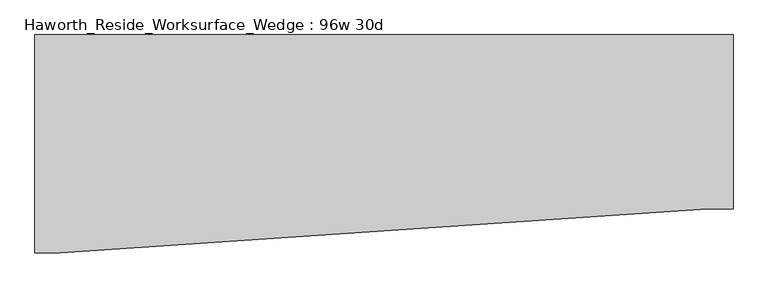
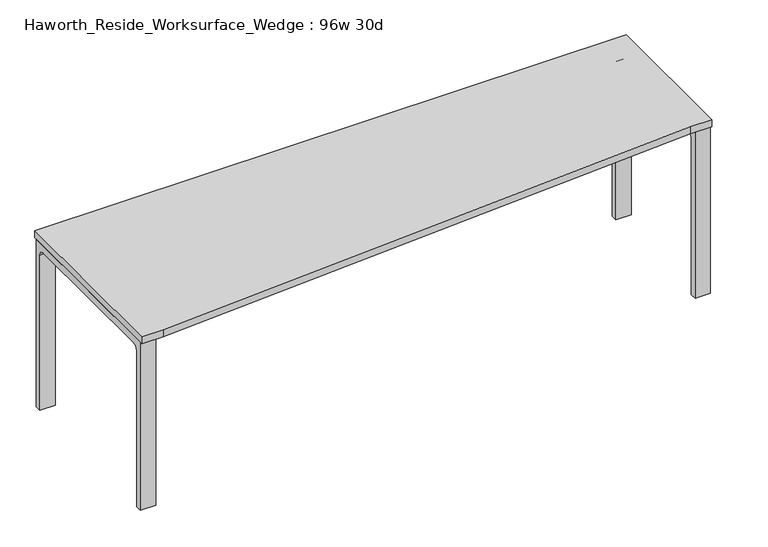
"""IFC4 building model written with IfcOpenShell, lengths in millimetres: furniture geometry, Haworth_Reside_Worksurface_Wedge : 96w 30d."""

import ifcopenshell
import ifcopenshell.guid

model = None  # the IFC model being written
_history = None  # IfcOwnerHistory: only IFC2X3 demands one
_inside = {}  # id of a spatial element -> (the spatial element, [elements in it])
_under = {}  # id of a project, library or spatial element -> (it, [spatial elements below it])
_declared = {}  # id of a project -> (the project, [libraries it declares])
_typed = {}  # id of a type object -> (the type object, [elements of that type])
_made_of = {}  # id of a material, layer set ... -> (it, [elements and type objects made of it])


def new_model(schema):
    """Start an empty IFC model of exactly this schema.

    Asked for "IFC4X3", IfcOpenShell would pick the latest addendum, in which some entities
    have other attributes; the version numbers below select the first issue.
    IFC2X3 requires an IfcOwnerHistory on every rooted entity: one is made here for all.
    """
    global model, _history
    if schema == "IFC4X3":
        model = ifcopenshell.file(schema_version=(4, 3, 0, 0))
    else:
        model = ifcopenshell.file(schema=schema)
    _inside.clear()
    _under.clear()
    _declared.clear()
    _typed.clear()
    _made_of.clear()
    _history = None
    if model.schema == "IFC2X3":
        org = make("IfcOrganization", Name="unknown")
        user = make(
            "IfcPersonAndOrganization",
            ThePerson=make("IfcPerson", FamilyName="unknown"),
            TheOrganization=org,
        )
        app = make(
            "IfcApplication",
            ApplicationDeveloper=org,
            Version="unknown",
            ApplicationFullName="unknown",
            ApplicationIdentifier="unknown",
        )
        _history = make(
            "IfcOwnerHistory",
            OwningUser=user,
            OwningApplication=app,
            ChangeAction="ADDED",
            CreationDate=0,
        )
    return model


def make(cls, **values):
    """One entity of the class cls with the attributes given. An attribute that is None is left unset."""
    return model.create_entity(
        cls, **{name: value for name, value in values.items() if value is not None}
    )


def rooted(cls, **values):
    """An entity with a GlobalId (a new one), such as an element, a storey or a relation."""
    return make(cls, GlobalId=ifcopenshell.guid.new(), OwnerHistory=_history, **values)


def si_unit(unit_type, name, prefix=None):
    """IfcSIUnit, for example si_unit("LENGTHUNIT", "METRE", prefix="MILLI")."""
    return make("IfcSIUnit", UnitType=unit_type, Prefix=prefix, Name=name)


def assignment(units):
    """IfcUnitAssignment: the units of a project."""
    return None if units is None else make("IfcUnitAssignment", Units=units)


def point(xyz):
    """IfcCartesianPoint."""
    return None if xyz is None else make("IfcCartesianPoint", Coordinates=xyz)


def direction(xyz):
    """IfcDirection."""
    return None if xyz is None else make("IfcDirection", DirectionRatios=xyz)


def frame(location, z_axis=None, x_axis=None):
    """IfcAxis2Placement3D, a coordinate frame: its origin and axes. An axis left out is left unset."""
    return make(
        "IfcAxis2Placement3D",
        Location=point(location),
        Axis=direction(z_axis),
        RefDirection=direction(x_axis),
    )


def frame_2d(location, x_axis=None):
    """IfcAxis2Placement2D, a coordinate frame in the plane: its origin and x axis."""
    return make(
        "IfcAxis2Placement2D", Location=point(location), RefDirection=direction(x_axis)
    )


def origin():
    """The frame at (0, 0, 0) with its axes left unset."""
    return frame((0.0, 0.0, 0.0))


def place(relative_to, where):
    """IfcLocalPlacement: puts the frame where relative to a parent placement (None: the world)."""
    return make(
        "IfcLocalPlacement", PlacementRelTo=relative_to, RelativePlacement=where
    )


def context(
    kind, dimensions, precision=None, world=None, true_north=None, identifier=None
):
    """IfcGeometricRepresentationContext, for example the 3D "Model" context."""
    return make(
        "IfcGeometricRepresentationContext",
        ContextIdentifier=identifier,
        ContextType=kind,
        CoordinateSpaceDimension=dimensions,
        Precision=precision,
        WorldCoordinateSystem=world,
        TrueNorth=true_north,
    )


def project(units=None, contexts=None):
    """IfcProject with its units and contexts."""
    return rooted(
        "IfcProject",
        Name="project",
        RepresentationContexts=contexts,
        UnitsInContext=assignment(units),
    )


def spatial(cls, under=None, at=None, **own):
    """A site, building, storey or space (cls), placed at a placement, below another one or the project."""
    s = rooted(cls, ObjectPlacement=at, **own)
    if under is not None:
        _under.setdefault(under.id(), (under, []))[1].append(s)
    return s


def polyline(points):
    """IfcPolyline through the points."""
    return make("IfcPolyline", Points=[point(p) for p in points])


def circle_curve(where, radius):
    """IfcCircle in the frame where."""
    return make("IfcCircle", Position=where, Radius=radius)


def trimmed(basis, trim1, trim2, sense, master):
    """IfcTrimmedCurve: the piece of a basis curve between two trims."""
    return make(
        "IfcTrimmedCurve",
        BasisCurve=basis,
        Trim1=trim1,
        Trim2=trim2,
        SenseAgreement=sense,
        MasterRepresentation=master,
    )


def segment(curve, same_sense, transition):
    """IfcCompositeCurveSegment."""
    return make(
        "IfcCompositeCurveSegment",
        Transition=transition,
        SameSense=same_sense,
        ParentCurve=curve,
    )


def composite_curve(segments, self_intersect=None):
    """IfcCompositeCurve: segments joined end to end."""
    return make("IfcCompositeCurve", Segments=segments, SelfIntersect=self_intersect)


def outline(outer, holes=None, kind="AREA"):
    """IfcArbitraryClosedProfileDef: a profile drawn as a closed curve; with holes, ...WithVoids."""
    if holes is None:
        return make("IfcArbitraryClosedProfileDef", ProfileType=kind, OuterCurve=outer)
    return make(
        "IfcArbitraryProfileDefWithVoids",
        ProfileType=kind,
        OuterCurve=outer,
        InnerCurves=holes,
    )


def extrude(swept, where, along, depth):
    """IfcExtrudedAreaSolid: the profile swept, set in the frame where, extruded along a direction by depth."""
    return make(
        "IfcExtrudedAreaSolid",
        SweptArea=swept,
        Position=where,
        ExtrudedDirection=direction(along),
        Depth=depth,
    )


def shape(context_of_items, identifier, shape_type, items):
    """IfcShapeRepresentation: the items that make up one representation, for example the "Body"."""
    return make(
        "IfcShapeRepresentation",
        ContextOfItems=context_of_items,
        RepresentationIdentifier=identifier,
        RepresentationType=shape_type,
        Items=items,
    )


def source(mapping_origin, context_of_items, identifier, shape_type, items):
    """IfcRepresentationMap: a shape defined once, which mapped items show again and again."""
    return make(
        "IfcRepresentationMap",
        MappingOrigin=mapping_origin,
        MappedRepresentation=shape(context_of_items, identifier, shape_type, items),
    )


def transform(
    local_origin,
    x_axis=None,
    y_axis=None,
    z_axis=None,
    scale=None,
    scale2=None,
    scale3=None,
    uniform=True,
):
    """IfcCartesianTransformationOperator3D, or its non-uniform kind. x_axis, y_axis, z_axis: its Axis1, 2, 3."""
    if uniform:
        return make(
            "IfcCartesianTransformationOperator3D",
            Axis1=direction(x_axis),
            Axis2=direction(y_axis),
            LocalOrigin=point(local_origin),
            Scale=scale,
            Axis3=direction(z_axis),
        )
    return make(
        "IfcCartesianTransformationOperator3DnonUniform",
        Axis1=direction(x_axis),
        Axis2=direction(y_axis),
        LocalOrigin=point(local_origin),
        Scale=scale,
        Axis3=direction(z_axis),
        Scale2=scale2,
        Scale3=scale3,
    )


def mapped(mapping_source, mapping_target):
    """IfcMappedItem: shows the shape of a source again, moved by a transform."""
    return make(
        "IfcMappedItem", MappingSource=mapping_source, MappingTarget=mapping_target
    )


def made_of(thing, what):
    """Note that an element or type object is made of a material, layer set ...; save() writes the relation."""
    if what is not None:
        _made_of.setdefault(what.id(), (what, []))[1].append(thing)
    return thing


def element(
    cls,
    number,
    at=None,
    inside=None,
    cuts=None,
    type_object=None,
    material=None,
    context=None,
    identifier="Body",
    shape_type=None,
    held_by="IfcProductDefinitionShape",
    body=None,
    shapes=None,
    **own,
):
    """One element of the class cls, such as IfcWall. Its Tag is "e" and its number.

    at: its placement. inside: the storey or other place that contains it. cuts: it is an
    opening in that element (IfcRelVoidsElement). A single representation is given by context,
    identifier, shape_type and body (its items); several are given by shapes. held_by: the class
    of the entity that holds the representations. save() writes the other relations.
    """
    e = rooted(cls, Tag="e%d" % number, ObjectPlacement=at, **own)
    if body is not None:
        shapes = [shape(context, identifier, shape_type, body)]
    if shapes is not None:
        e.Representation = make(held_by, Representations=shapes)
    if inside is not None:
        _inside.setdefault(inside.id(), (inside, []))[1].append(e)
    if cuts is not None:
        rooted(
            "IfcRelVoidsElement", RelatingBuildingElement=cuts, RelatedOpeningElement=e
        )
    if type_object is not None:
        _typed.setdefault(type_object.id(), (type_object, []))[1].append(e)
    return made_of(e, material)


def aggregate(whole, parts):
    """IfcRelAggregates: a whole, such as a stair, and the parts it consists of."""
    return rooted("IfcRelAggregates", RelatingObject=whole, RelatedObjects=parts)


def save(model, path):
    """Write the relations noted so far, then the file.

    IfcRelAggregates (storeys below a building ...), IfcRelContainedInSpatialStructure (elements
    in a storey), IfcRelDefinesByType, IfcRelAssociatesMaterial and IfcRelDeclares: one each for
    every whole, place, type object, material and project.
    """
    for whole, parts in _under.values():
        aggregate(whole, parts)
    for where, things in _inside.values():
        rooted(
            "IfcRelContainedInSpatialStructure",
            RelatedElements=things,
            RelatingStructure=where,
        )
    for kind, things in _typed.values():
        rooted("IfcRelDefinesByType", RelatedObjects=things, RelatingType=kind)
    for what, things in _made_of.values():
        rooted("IfcRelAssociatesMaterial", RelatedObjects=things, RelatingMaterial=what)
    for by, libraries in _declared.values():
        rooted("IfcRelDeclares", RelatingContext=by, RelatedDefinitions=libraries)
    model.write(path)


def haworth_reside_worksurface_wedge_96w_30d_5e64a26c(model_context):
    return source(origin(), model_context, "Body", "SweptSolid", [
        extrude(outline(composite_curve([segment(trimmed(circle_curve(frame_2d((396.875, 676.275)), 25.4), [point((422.275, 676.275))], [point((396.875, 701.675))], True, "CARTESIAN"), True, "CONTINUOUS"), segment(polyline([(396.875, 701.675), (-92.075, 701.675)]), True, "CONTINUOUS"), segment(trimmed(circle_curve(frame_2d((-92.075, 676.275)), 25.4), [point((-92.075, 701.675))], [point((-117.475, 676.275))], True, "CARTESIAN"), True, "CONTINUOUS"), segment(polyline([(-117.475, 676.275), (-117.475, 0.0), (-142.875, 0.0), (-142.875, 731.8375), (447.675, 731.8375), (447.675, 0.0), (422.275, 0.0), (422.275, 676.275)]), True, "CONTINUOUS")], self_intersect=False)), frame((1155.7, 0.0, 0.0), z_axis=(1.0, 0.0, 0.0), x_axis=(0.0, 1.0, 0.0)), (0.0, 0.0, 1.0), 63.5),
        extrude(outline(composite_curve([segment(trimmed(circle_curve(frame_2d((396.875, 676.275)), 25.4), [point((422.275, 676.275))], [point((396.875, 701.675))], True, "CARTESIAN"), True, "CONTINUOUS"), segment(polyline([(396.875, 701.675), (-244.475, 701.675)]), True, "CONTINUOUS"), segment(trimmed(circle_curve(frame_2d((-244.475, 676.275)), 25.4), [point((-244.475, 701.675))], [point((-269.875, 676.275))], True, "CARTESIAN"), True, "CONTINUOUS"), segment(polyline([(-269.875, 676.275), (-269.875, 0.0), (-295.275, 0.0), (-295.275, 731.8375), (447.675, 731.8375), (447.675, 0.0), (422.275, 0.0), (422.275, 676.275)]), True, "CONTINUOUS")], self_intersect=False)), frame((-1219.2, 0.0, 0.0), z_axis=(1.0, 0.0, 0.0), x_axis=(0.0, 1.0, 0.0)), (0.0, 0.0, 1.0), 63.5),
        extrude(outline(polyline([(1219.2, 457.2), (1219.2, -152.4), (1130.3, -152.4), (-1130.3, -304.8), (-1219.2, -304.8), (-1219.2, 457.2), (1219.2, 457.2)])), frame((0.0, 0.0, 731.8375), z_axis=(0.0, 0.0, 1.0), x_axis=(1.0, 0.0, 0.0)), (0.0, 0.0, 1.0), 30.1625),
    ])


if __name__ == "__main__":
    model = new_model("IFC4")
    model_context = context("Model", 3, world=origin())
    ifc_project = project(units=[si_unit("LENGTHUNIT", "METRE", prefix="MILLI")], contexts=[model_context])
    site = spatial("IfcSite", under=ifc_project)
    building = spatial("IfcBuilding", under=site)
    placement = place(None, origin())
    haworth_reside_worksurface_wedge_96w_30d_shape = haworth_reside_worksurface_wedge_96w_30d_5e64a26c(model_context)
    element("IfcFurniture", 1, ObjectType="Haworth_Reside_Worksurface_Wedge : 96w 30d", at=placement, inside=building, context=model_context, shape_type="MappedRepresentation", body=[
        mapped(haworth_reside_worksurface_wedge_96w_30d_shape, transform((0.0, 0.0, 0.0), x_axis=(1.0, 0.0, 0.0), y_axis=(0.0, 1.0, 0.0), z_axis=(0.0, 0.0, 1.0))),
    ])
    save(model, "model.ifc")
